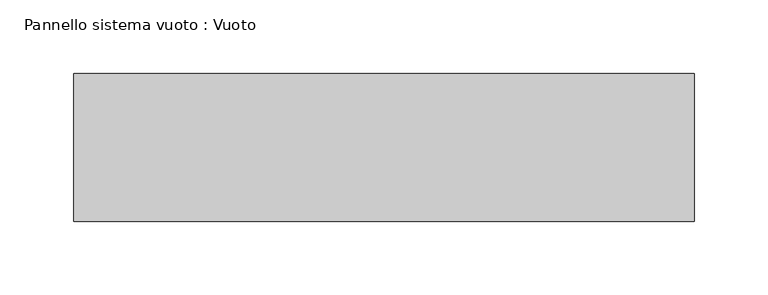
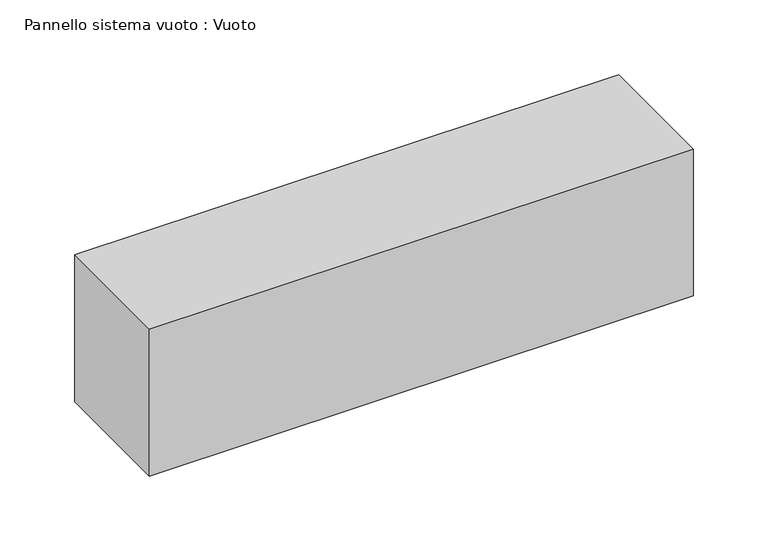
"""IFC4 building model written with IfcOpenShell, lengths in millimetres: plate geometry, Pannello sistema vuoto : Vuoto."""

from ifc_helpers import new_model, si_unit, origin, origin_with_axes, place, context, project, spatial, polyline, outline, extrude, source, transform, mapped, element, save


def pannello_sistema_vuoto_vuoto_310d00f9(model_context):
    return source(origin(), model_context, "Body", "SweptSolid", [
        extrude(outline(polyline([(210.0, 50.0), (-210.0, 50.0), (-210.0, 150.0), (210.0, 150.0), (210.0, 50.0)])), origin_with_axes(), (0.0, 0.0, 1.0), 120.0),
    ])


if __name__ == "__main__":
    model = new_model("IFC4")
    model_context = context("Model", 3, world=origin())
    ifc_project = project(units=[si_unit("LENGTHUNIT", "METRE", prefix="MILLI")], contexts=[model_context])
    site = spatial("IfcSite", under=ifc_project)
    building = spatial("IfcBuilding", under=site)
    placement = place(None, origin())
    pannello_sistema_vuoto_vuoto_shape = pannello_sistema_vuoto_vuoto_310d00f9(model_context)
    element("IfcPlate", 1, ObjectType="Pannello sistema vuoto : Vuoto", at=placement, inside=building, context=model_context, shape_type="MappedRepresentation", body=[
        mapped(pannello_sistema_vuoto_vuoto_shape, transform((0.0, 0.0, 0.0), x_axis=(1.0, 0.0, 0.0), y_axis=(0.0, 1.0, 0.0), z_axis=(0.0, 0.0, 1.0))),
    ])
    save(model, "model.ifc")
